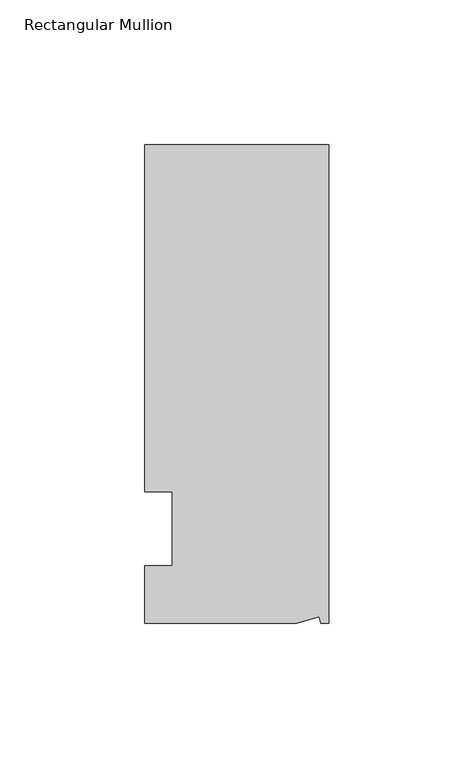
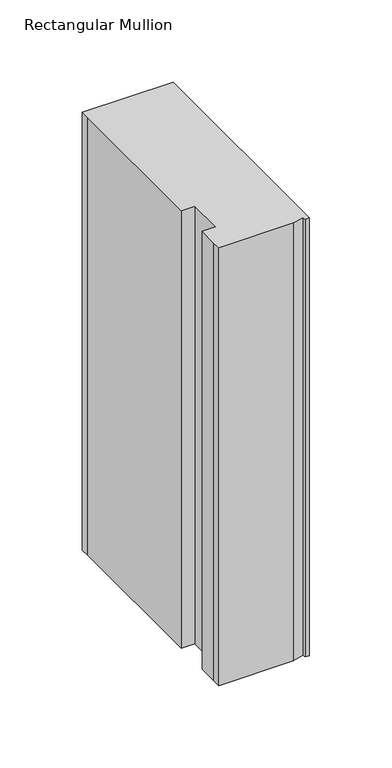
"""IFC4 building model written with IfcOpenShell, lengths in millimetres: member geometry, Rectangular Mullion."""

from ifc_helpers import new_model, si_unit, origin, place, context, project, spatial, faceted_brep, source, transform, mapped, element, save


def rectangular_mullion_632a89a6(model_context):
    return source(origin(), model_context, "Body", "Brep", [
        faceted_brep([(0.0, 132.5561012, 0.0), (-63.5, 132.5561012, 0.0), (-63.5, 126.2061012, 0.0), (-63.5, 12.8488281, 0.0), (-53.975, 12.8488281, 0.0), (-53.975, -12.7, 0.0), (-63.5, -12.7, 0.0), (-63.5, -26.1938988, 0.0), (-63.5076469, -32.5438988, 0.0), (-11.1125, -32.5438988, 0.0), (-3.3223696, -30.4565397, 0.0), (-2.7630634, -32.5438988, 0.0), (0.0, -32.5438988, 0.0), (0.0, 132.5561012, -324.0836212), (0.0, -32.5438988, -324.0836212), (-2.7630634, -32.5438988, -324.0836212), (-3.3223696, -30.4565397, -324.0836212), (-11.1125, -32.5438988, -324.0836212), (-63.5076469, -32.5438988, -324.0836212), (-63.5076469, -26.1938988, -324.0836212), (-63.5, -12.7, -324.0836212), (-53.975, -12.7, -324.0836212), (-53.975, 12.8488281, -324.0836212), (-63.5, 12.8488281, -324.0836212), (-63.5, 126.2061012, -324.0836212), (-63.5, 132.5561012, -324.0836212)], [[[0, 1, 2, 3, 4, 5, 6, 7, 8, 9, 10, 11, 12]], [[13, 14, 15, 16, 17, 18, 19, 20, 21, 22, 23, 24, 25]], [[0, 12, 14, 13]], [[1, 0, 13, 25]], [[3, 2, 24, 23]], [[4, 3, 23, 22]], [[5, 4, 22, 21]], [[6, 5, 21, 20]], [[7, 6, 20, 19]], [[9, 8, 18, 17]], [[10, 9, 17, 16]], [[11, 10, 16, 15]], [[12, 11, 15, 14]], [[2, 1, 25, 24]], [[8, 7, 19, 18]]]),
    ])


if __name__ == "__main__":
    model = new_model("IFC4")
    model_context = context("Model", 3, world=origin())
    ifc_project = project(units=[si_unit("LENGTHUNIT", "METRE", prefix="MILLI")], contexts=[model_context])
    site = spatial("IfcSite", under=ifc_project)
    building = spatial("IfcBuilding", under=site)
    placement = place(None, origin())
    rectangular_mullion_shape = rectangular_mullion_632a89a6(model_context)
    element("IfcMember", 1, ObjectType="Rectangular Mullion", at=placement, inside=building, context=model_context, shape_type="MappedRepresentation", body=[
        mapped(rectangular_mullion_shape, transform((0.0, 0.0, 0.0), x_axis=(1.0, 0.0, 0.0), y_axis=(0.0, 1.0, 0.0), z_axis=(0.0, 0.0, 1.0))),
    ])
    save(model, "model.ifc")
